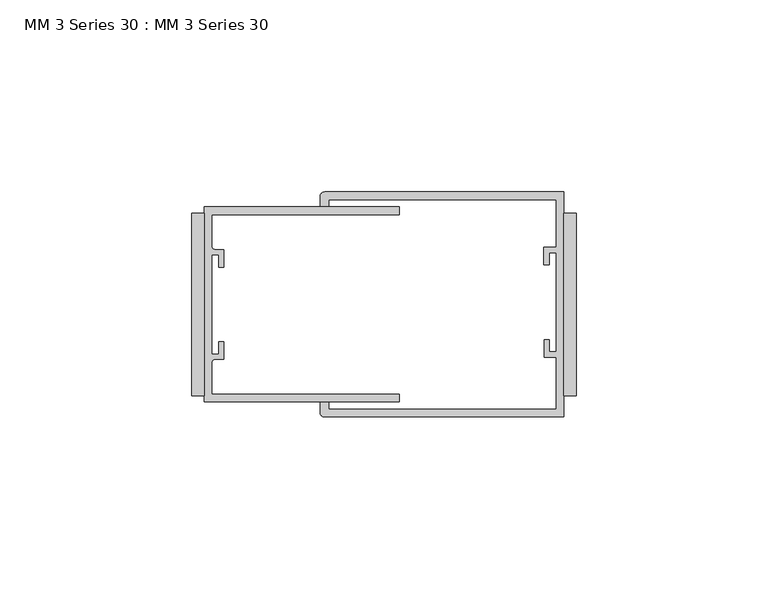
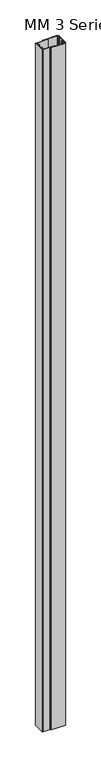
"""IFC4 building model written with IfcOpenShell, lengths in millimetres: proxy geometry, MM 3 Series 30 : MM 3 Series 30."""

from ifc_helpers import new_model, si_unit, point, frame_2d, origin, origin_with_axes, place, context, project, spatial, polyline, circle_curve, trimmed, segment, composite_curve, outline, extrude, source, transform, mapped, element, save


def mm_3_series_30_mm_3_series_30_bb4cb455(model_context):
    return source(origin(), model_context, "Body", "SweptSolid", [
        extrude(outline(polyline([(-3.175, 23.8125), (0.0, 23.8125), (0.0, -23.8125), (-3.175, -23.8125), (-3.175, 23.8125)])), origin_with_axes(), (0.0, 0.0, 1.0), 3048.0),
        extrude(outline(polyline([(-100.0125, 23.8125), (-96.8375, 23.8125), (-96.8375, -23.8125), (-100.0125, -23.8125), (-100.0125, 23.8125)])), origin_with_axes(), (0.0, 0.0, 1.0), 3048.0),
        extrude(outline(composite_curve([segment(polyline([(-65.4440744, 29.2862), (-3.175, 29.2862), (-3.175, -29.2862), (-65.4440744, -29.2862)]), True, "CONTINUOUS"), segment(trimmed(circle_curve(frame_2d((-65.4440744, -28.095575)), 1.190625), [point((-65.4440744, -29.2862))], [point((-66.6346994, -28.095575))], False, "CARTESIAN"), True, "CONTINUOUS"), segment(polyline([(-66.6346994, -28.095575), (-66.6346994, -25.527), (-64.3382, -25.527), (-64.3382, -27.305), (-5.1562, -27.305), (-5.1562, -13.7024149), (-8.3312, -13.7024149), (-8.3312, -9.1355958), (-6.967, -9.1355958), (-6.967, -12.3105958), (-5.189, -12.3105958), (-5.189, 13.495805), (-6.9792436, 13.495805), (-6.9792436, 10.3136087), (-8.3683061, 10.3136087), (-8.3683061, 14.8979851), (-5.1562, 14.8979851), (-5.1562, 27.305), (-64.3382, 27.305), (-64.3382, 25.527), (-66.6346994, 25.527), (-66.6346994, 28.095575)]), True, "CONTINUOUS"), segment(trimmed(circle_curve(frame_2d((-65.4440744, 28.095575)), 1.190625), [point((-66.6346994, 28.095575))], [point((-65.4440744, 29.2862))], False, "CARTESIAN"), True, "CONTINUOUS")], self_intersect=False)), origin_with_axes(), (0.0, 0.0, 1.0), 3048.0),
        extrude(outline(composite_curve([segment(polyline([(-96.8375, -25.4), (-96.8375, 25.4), (-46.0375, 25.4), (-46.0375, 23.4188), (-94.8563, 23.4188), (-94.8563, 15.0569227)]), True, "CONTINUOUS"), segment(trimmed(circle_curve(frame_2d((-94.0943, 15.0569227)), 0.762), [point((-94.8563, 15.0569227))], [point((-94.0943, 14.2949227))], True, "CARTESIAN"), True, "CONTINUOUS"), segment(polyline([(-94.0943, 14.2949227), (-91.6813, 14.2949227), (-91.6813, 9.7229227), (-93.0783, 9.7229227), (-93.0783, 12.8979227), (-94.8563, 12.8979227), (-94.8563, -12.9084773), (-93.0783, -12.9084773), (-93.0783, -9.7334773), (-91.6813, -9.7334773), (-91.6813, -14.3054773), (-94.0943, -14.3054773)]), True, "CONTINUOUS"), segment(trimmed(circle_curve(frame_2d((-94.0943, -15.0674773)), 0.762), [point((-94.0943, -14.3054773))], [point((-94.8563, -15.0674773))], True, "CARTESIAN"), True, "CONTINUOUS"), segment(polyline([(-94.8563, -15.0674773), (-94.8563, -23.4188), (-46.0375, -23.4188), (-46.0375, -25.4), (-96.8375, -25.4)]), True, "CONTINUOUS")], self_intersect=False)), origin_with_axes(), (0.0, 0.0, 1.0), 3048.0),
    ])


if __name__ == "__main__":
    model = new_model("IFC4")
    model_context = context("Model", 3, world=origin())
    ifc_project = project(units=[si_unit("LENGTHUNIT", "METRE", prefix="MILLI")], contexts=[model_context])
    site = spatial("IfcSite", under=ifc_project)
    building = spatial("IfcBuilding", under=site)
    placement = place(None, origin())
    mm_3_series_30_mm_3_series_30_shape = mm_3_series_30_mm_3_series_30_bb4cb455(model_context)
    element("IfcBuildingElementProxy", 1, Name="MM 3 Series 30 : MM 3 Series 30", ObjectType="MM 3 Series 30 : MM 3 Series 30", at=placement, inside=building, context=model_context, shape_type="MappedRepresentation", body=[
        mapped(mm_3_series_30_mm_3_series_30_shape, transform((0.0, 0.0, 0.0), x_axis=(1.0, 0.0, 0.0), y_axis=(0.0, 1.0, 0.0), z_axis=(0.0, 0.0, 1.0))),
    ])
    save(model, "model.ifc")
